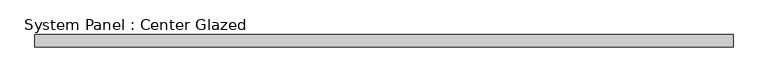
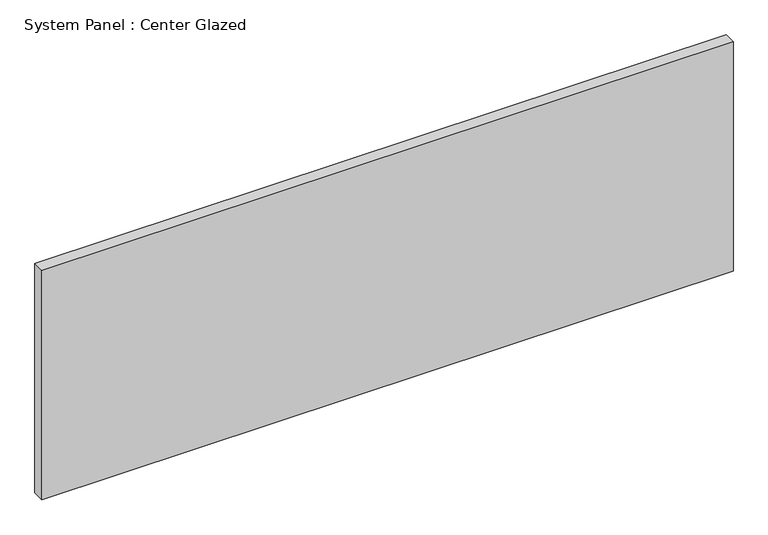
"""IFC4 building model written with IfcOpenShell, lengths in millimetres: plate geometry, System Panel : Center Glazed."""

from ifc_helpers import new_model, si_unit, origin, origin_with_axes, place, context, project, spatial, polyline, outline, extrude, source, transform, mapped, element, save


def system_panel_center_glazed_295c4d3c(model_context):
    return source(origin(), model_context, "Body", "SweptSolid", [
        extrude(outline(polyline([(723.9, -12.7), (-723.9, -12.7), (-723.9, 12.7), (723.9, 12.7), (723.9, -12.7)])), origin_with_axes(), (0.0, 0.0, 1.0), 508.0),
    ])


if __name__ == "__main__":
    model = new_model("IFC4")
    model_context = context("Model", 3, world=origin())
    ifc_project = project(units=[si_unit("LENGTHUNIT", "METRE", prefix="MILLI")], contexts=[model_context])
    site = spatial("IfcSite", under=ifc_project)
    building = spatial("IfcBuilding", under=site)
    placement = place(None, origin())
    system_panel_center_glazed_shape = system_panel_center_glazed_295c4d3c(model_context)
    element("IfcPlate", 1, ObjectType="System Panel : Center Glazed", at=placement, inside=building, context=model_context, shape_type="MappedRepresentation", body=[
        mapped(system_panel_center_glazed_shape, transform((0.0, 0.0, 0.0), x_axis=(1.0, 0.0, 0.0), y_axis=(0.0, 1.0, 0.0), z_axis=(0.0, 0.0, 1.0))),
    ])
    save(model, "model.ifc")
